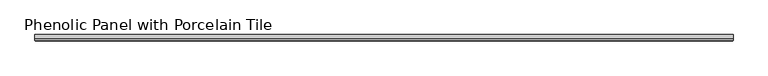
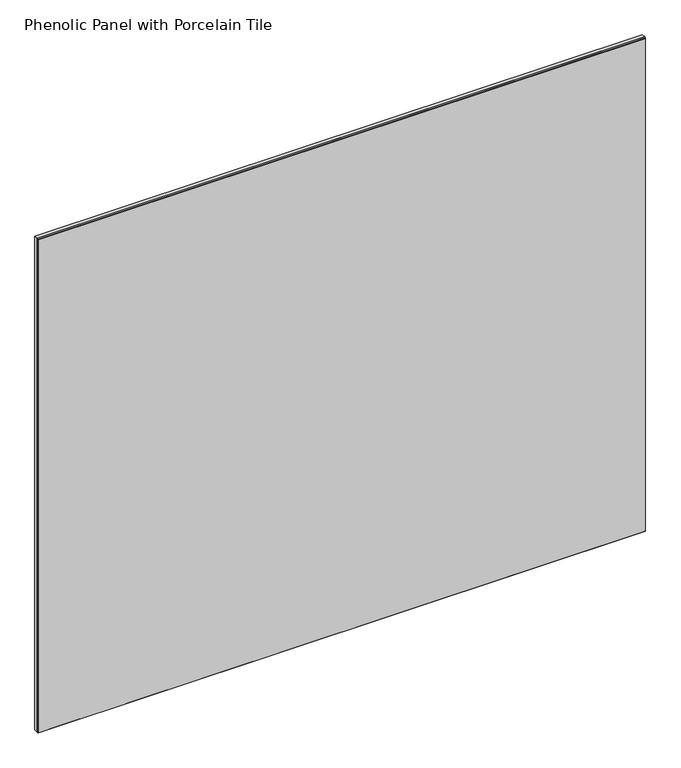
"""IFC4 building model written with IfcOpenShell, lengths in millimetres: proxy geometry, Phenolic Panel with Porcelain Tile."""

from ifc_helpers import new_model, si_unit, origin, origin_with_axes, place, context, project, spatial, polyline, outline, extrude, faceted_brep, source, transform, mapped, element, save


def phenolic_panel_with_porcelain_tile_3496c0b7(model_context):
    return source(origin(), model_context, "Body", "SolidModel", [
        faceted_brep([(-73.025, -3.175, 914.4), (-73.025, -5.55625, 914.4), (992.1875, -5.5546839, 914.4), (992.1875, -3.175, 914.4), (-73.025, -3.175, 0.0), (992.1875, -3.175, 0.0), (992.1875, -5.55625, 0.0), (-73.025, -5.5571697, 0.0), (-72.23125, -6.35, 913.6046839), (-72.23125, -6.35, 0.7926621), (991.39375, -6.35, 0.7926621), (991.39375, -6.35, 913.6046839)], [[[0, 1, 2, 3]], [[4, 5, 6, 7]], [[1, 0, 4, 7]], [[8, 9, 10, 11]], [[3, 2, 6, 5]], [[1, 7, 9, 8]], [[6, 2, 11, 10]], [[2, 1, 8, 11]], [[7, 6, 10, 9]], [[0, 3, 5, 4]]]),
        extrude(outline(polyline([(992.1875, 3.175), (992.1875, -3.175), (-73.025, -3.175), (-73.025, 3.175), (992.1875, 3.175)])), origin_with_axes(), (0.0, 0.0, 1.0), 914.4),
    ])


if __name__ == "__main__":
    model = new_model("IFC4")
    model_context = context("Model", 3, world=origin())
    ifc_project = project(units=[si_unit("LENGTHUNIT", "METRE", prefix="MILLI")], contexts=[model_context])
    site = spatial("IfcSite", under=ifc_project)
    building = spatial("IfcBuilding", under=site)
    placement = place(None, origin())
    phenolic_panel_with_porcelain_tile_shape = phenolic_panel_with_porcelain_tile_3496c0b7(model_context)
    element("IfcBuildingElementProxy", 1, Name="Phenolic Panel with Porcelain Tile", ObjectType="Phenolic Panel with Porcelain Tile", at=placement, inside=building, context=model_context, shape_type="MappedRepresentation", body=[
        mapped(phenolic_panel_with_porcelain_tile_shape, transform((0.0, 0.0, 0.0), x_axis=(1.0, 0.0, 0.0), y_axis=(0.0, 1.0, 0.0), z_axis=(0.0, 0.0, 1.0))),
    ])
    save(model, "model.ifc")
